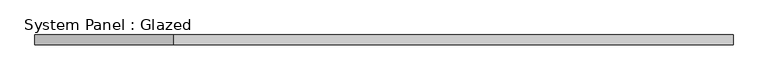
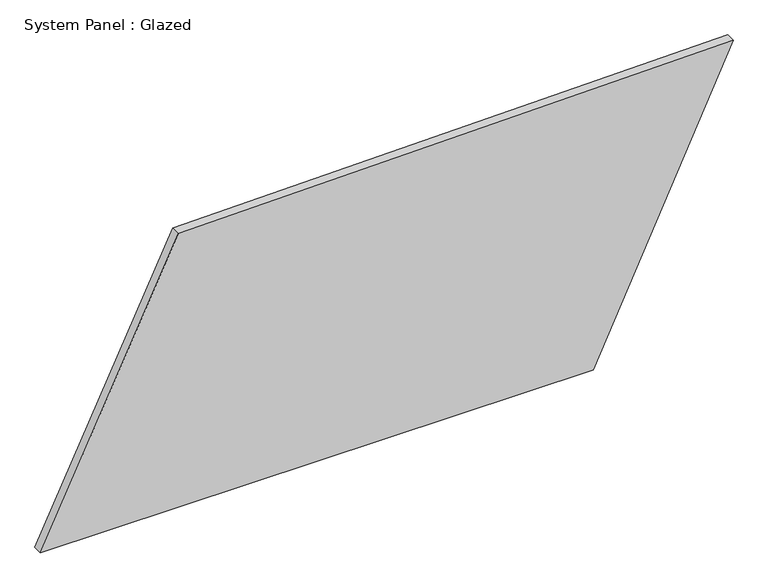
"""IFC4 building model written with IfcOpenShell, lengths in millimetres: plate geometry, System Panel : Glazed."""

from ifc_helpers import new_model, si_unit, frame, origin, place, context, project, spatial, polyline, outline, extrude, source, transform, mapped, element, save


def system_panel_glazed_d2498fc7(model_context):
    return source(origin(), model_context, "Body", "SweptSolid", [
        extrude(outline(polyline([(0.0, -903.0478296), (0.0, 538.5161801), (781.4924402, 903.0478296), (754.6175208, -544.0300176), (0.0, -903.0478296)])), frame((0.0, -49.5, 0.0), z_axis=(0.0, 1.0, 0.0), x_axis=(0.0, 0.0, 1.0)), (0.0, 0.0, 1.0), 25.0),
    ])


if __name__ == "__main__":
    model = new_model("IFC4")
    model_context = context("Model", 3, world=origin())
    ifc_project = project(units=[si_unit("LENGTHUNIT", "METRE", prefix="MILLI")], contexts=[model_context])
    site = spatial("IfcSite", under=ifc_project)
    building = spatial("IfcBuilding", under=site)
    placement = place(None, origin())
    system_panel_glazed_shape = system_panel_glazed_d2498fc7(model_context)
    element("IfcPlate", 1, ObjectType="System Panel : Glazed", at=placement, inside=building, context=model_context, shape_type="MappedRepresentation", body=[
        mapped(system_panel_glazed_shape, transform((0.0, 0.0, 0.0), x_axis=(1.0, 0.0, 0.0), y_axis=(0.0, 1.0, 0.0), z_axis=(0.0, 0.0, 1.0))),
    ])
    save(model, "model.ifc")
